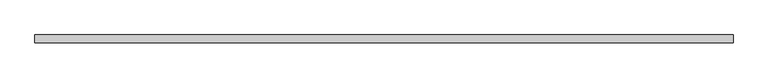
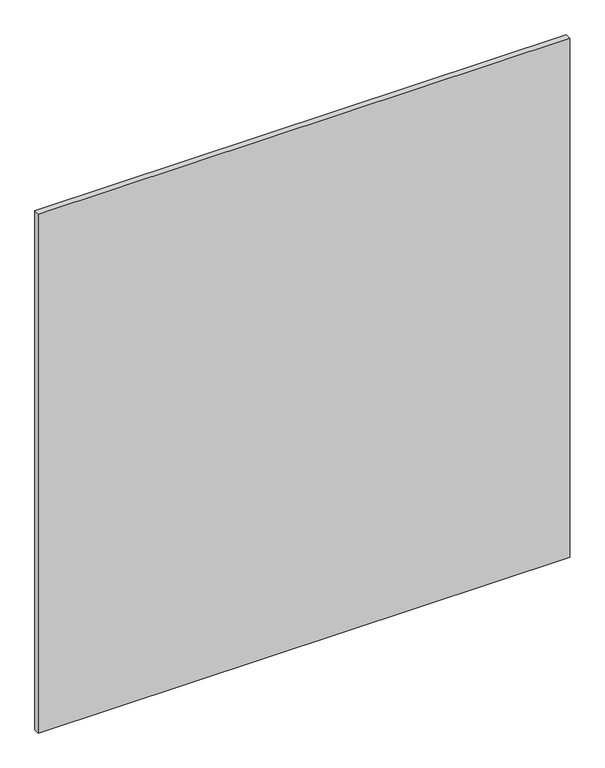
"""IFC4 building model written with IfcOpenShell, lengths in millimetres: plate geometry."""

from ifc_helpers import new_model, si_unit, origin, origin_with_axes, place, context, project, spatial, polyline, outline, extrude, source, transform, mapped, element, save


def plate_ded94da9(model_context):
    return source(origin(), model_context, "Body", "SweptSolid", [
        extrude(outline(polyline([(627.75, -40.2), (-627.75, -40.2), (-627.75, -26.2), (627.75, -26.2), (627.75, -40.2)])), origin_with_axes(), (0.0, 0.0, 1.0), 1295.5),
    ])


if __name__ == "__main__":
    model = new_model("IFC4")
    model_context = context("Model", 3, world=origin())
    ifc_project = project(units=[si_unit("LENGTHUNIT", "METRE", prefix="MILLI")], contexts=[model_context])
    site = spatial("IfcSite", under=ifc_project)
    building = spatial("IfcBuilding", under=site)
    placement = place(None, origin())
    plate_shape = plate_ded94da9(model_context)
    element("IfcPlate", 1, at=placement, inside=building, context=model_context, shape_type="MappedRepresentation", body=[
        mapped(plate_shape, transform((0.0, 0.0, 0.0), x_axis=(1.0, 0.0, 0.0), y_axis=(0.0, 1.0, 0.0), z_axis=(0.0, 0.0, 1.0))),
    ])
    save(model, "model.ifc")
